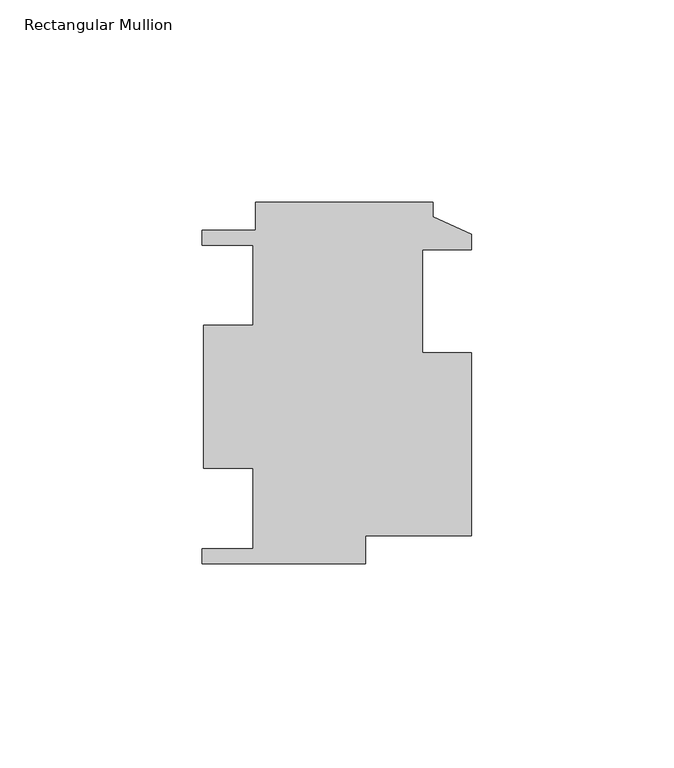
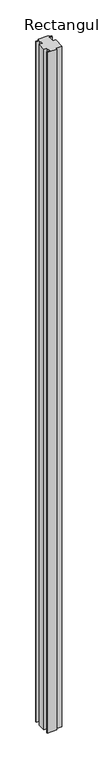
"""IFC4 building model written with IfcOpenShell, lengths in millimetres: member geometry, Rectangular Mullion."""

from ifc_helpers import new_model, si_unit, frame, origin, place, context, project, spatial, polyline, outline, extrude, source, transform, mapped, element, save


def rectangular_mullion_298ce25b(model_context):
    return source(origin(), model_context, "Body", "SweptSolid", [
        extrude(outline(polyline([(-26.289, -36.8173269), (-26.289, -43.7261269), (-66.7512, -43.7261269), (-66.7512, -39.9923269), (-54.0512, -39.9923269), (-54.0512, -20.1549269), (-66.336519, -20.1549269), (-66.336519, 15.2526731), (-54.0512, 15.2526731), (-54.0512, 35.0900731), (-66.7512, 35.0900731), (-66.7512, 38.8238731), (-53.4924, 38.8238731), (-53.4924, 45.7326731), (-9.525, 45.7326731), (-9.525, 42.1258731), (0.0, 37.8078731), (0.0, 33.8962731), (-12.2174, 33.8962731), (-12.2174, 8.4962731), (0.0, 8.4962731), (0.0, -36.8173269), (-26.289, -36.8173269)])), frame((0.0, 0.0, -3048.0), z_axis=(0.0, 0.0, 1.0), x_axis=(1.0, 0.0, 0.0)), (0.0, 0.0, 1.0), 3048.0),
    ])


if __name__ == "__main__":
    model = new_model("IFC4")
    model_context = context("Model", 3, world=origin())
    ifc_project = project(units=[si_unit("LENGTHUNIT", "METRE", prefix="MILLI")], contexts=[model_context])
    site = spatial("IfcSite", under=ifc_project)
    building = spatial("IfcBuilding", under=site)
    placement = place(None, origin())
    rectangular_mullion_shape = rectangular_mullion_298ce25b(model_context)
    element("IfcMember", 1, ObjectType="Rectangular Mullion", at=placement, inside=building, context=model_context, shape_type="MappedRepresentation", body=[
        mapped(rectangular_mullion_shape, transform((0.0, 0.0, 0.0), x_axis=(1.0, 0.0, 0.0), y_axis=(0.0, 1.0, 0.0), z_axis=(0.0, 0.0, 1.0))),
    ])
    save(model, "model.ifc")
